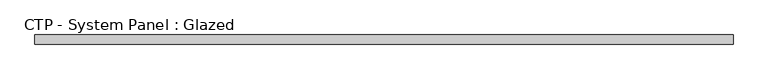
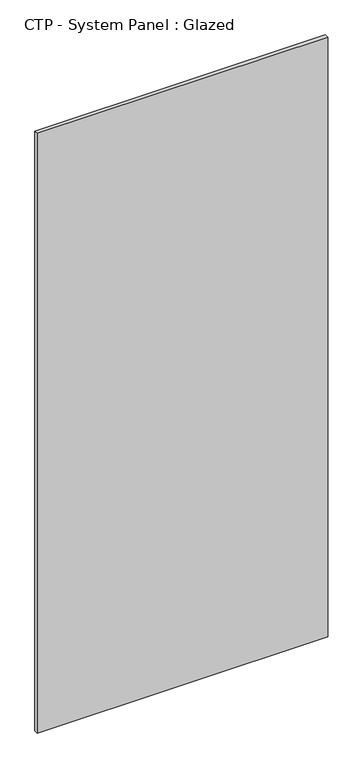
"""IFC4 building model written with IfcOpenShell, lengths in millimetres: plate geometry, CTP - System Panel : Glazed."""

from ifc_helpers import new_model, si_unit, origin, origin_with_axes, place, context, project, spatial, polyline, outline, extrude, source, transform, mapped, element, save


def ctp_system_panel_glazed_aad8c899(model_context):
    return source(origin(), model_context, "Body", "SweptSolid", [
        extrude(outline(polyline([(916.6666667, 62.5), (-916.6666667, 62.5), (-916.6666667, 87.5), (916.6666667, 87.5), (916.6666667, 62.5)])), origin_with_axes(), (0.0, 0.0, 1.0), 4000.0),
    ])


if __name__ == "__main__":
    model = new_model("IFC4")
    model_context = context("Model", 3, world=origin())
    ifc_project = project(units=[si_unit("LENGTHUNIT", "METRE", prefix="MILLI")], contexts=[model_context])
    site = spatial("IfcSite", under=ifc_project)
    building = spatial("IfcBuilding", under=site)
    placement = place(None, origin())
    ctp_system_panel_glazed_shape = ctp_system_panel_glazed_aad8c899(model_context)
    element("IfcPlate", 1, ObjectType="CTP - System Panel : Glazed", at=placement, inside=building, context=model_context, shape_type="MappedRepresentation", body=[
        mapped(ctp_system_panel_glazed_shape, transform((0.0, 0.0, 0.0), x_axis=(1.0, 0.0, 0.0), y_axis=(0.0, 1.0, 0.0), z_axis=(0.0, 0.0, 1.0))),
    ])
    save(model, "model.ifc")
